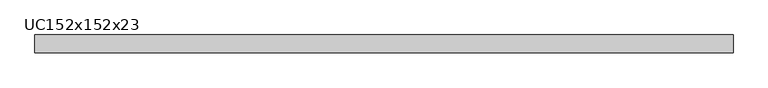
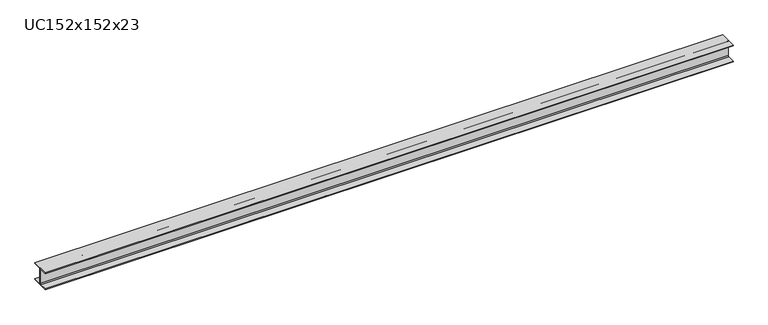
"""IFC4 building model written with IfcOpenShell, lengths in millimetres: beam geometry, UC152x152x23."""

from ifc_helpers import new_model, si_unit, point, frame, frame_2d, origin, place, context, project, spatial, polyline, circle_curve, trimmed, segment, composite_curve, outline, extrude, source, transform, mapped, element, save


def uc152x152x23_df6484fd(model_context):
    return source(origin(), model_context, "Body", "SweptSolid", [
        extrude(outline(composite_curve([segment(polyline([(76.1, -69.4), (76.1, -76.2), (-76.1, -76.2), (-76.1, -69.4), (-10.5, -69.4)]), True, "CONTINUOUS"), segment(trimmed(circle_curve(frame_2d((-10.5, -61.8)), 7.6), [point((-10.5, -69.4))], [point((-2.9, -61.8))], True, "CARTESIAN"), True, "CONTINUOUS"), segment(polyline([(-2.9, -61.8), (-2.9, 61.8)]), True, "CONTINUOUS"), segment(trimmed(circle_curve(frame_2d((-10.5, 61.8)), 7.6), [point((-2.9, 61.8))], [point((-10.5, 69.4))], True, "CARTESIAN"), True, "CONTINUOUS"), segment(polyline([(-10.5, 69.4), (-76.1, 69.4), (-76.1, 76.2), (76.1, 76.2), (76.1, 69.4), (10.5, 69.4)]), True, "CONTINUOUS"), segment(trimmed(circle_curve(frame_2d((10.5, 61.8)), 7.6), [point((10.5, 69.4))], [point((2.9, 61.8))], True, "CARTESIAN"), True, "CONTINUOUS"), segment(polyline([(2.9, 61.8), (2.9, -61.8)]), True, "CONTINUOUS"), segment(trimmed(circle_curve(frame_2d((10.5, -61.8)), 7.6), [point((2.9, -61.8))], [point((10.5, -69.4))], True, "CARTESIAN"), True, "CONTINUOUS"), segment(polyline([(10.5, -69.4), (76.1, -69.4)]), True, "CONTINUOUS")], self_intersect=False)), frame((-2960.0, 0.0, 0.0), z_axis=(1.0, 0.0, 0.0), x_axis=(0.0, 1.0, 0.0)), (0.0, 0.0, 1.0), 5920.0),
    ])


if __name__ == "__main__":
    model = new_model("IFC4")
    model_context = context("Model", 3, world=origin())
    ifc_project = project(units=[si_unit("LENGTHUNIT", "METRE", prefix="MILLI")], contexts=[model_context])
    site = spatial("IfcSite", under=ifc_project)
    building = spatial("IfcBuilding", under=site)
    placement = place(None, origin())
    uc152x152x23_shape = uc152x152x23_df6484fd(model_context)
    element("IfcBeam", 1, ObjectType="UC152x152x23", at=placement, inside=building, context=model_context, shape_type="MappedRepresentation", body=[
        mapped(uc152x152x23_shape, transform((0.0, 0.0, 0.0), x_axis=(1.0, 0.0, 0.0), y_axis=(0.0, 1.0, 0.0), z_axis=(0.0, 0.0, 1.0))),
    ])
    save(model, "model.ifc")
